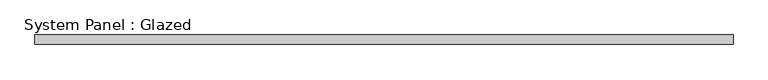
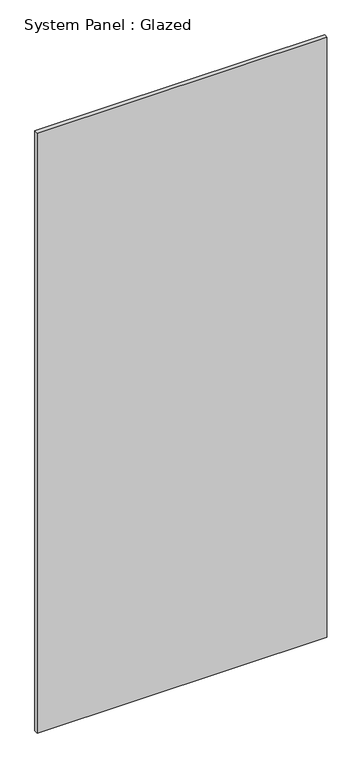
"""IFC4 building model written with IfcOpenShell, lengths in millimetres: plate geometry, System Panel : Glazed."""

from ifc_helpers import new_model, si_unit, origin, origin_with_axes, place, context, project, spatial, polyline, outline, extrude, source, transform, mapped, element, save


def system_panel_glazed_85acabe5(model_context):
    return source(origin(), model_context, "Body", "SweptSolid", [
        extrude(outline(polyline([(916.818058, -49.5), (-916.818058, -49.5), (-916.818058, -24.5), (916.818058, -24.5), (916.818058, -49.5)])), origin_with_axes(), (0.0, 0.0, 1.0), 4015.0),
    ])


if __name__ == "__main__":
    model = new_model("IFC4")
    model_context = context("Model", 3, world=origin())
    ifc_project = project(units=[si_unit("LENGTHUNIT", "METRE", prefix="MILLI")], contexts=[model_context])
    site = spatial("IfcSite", under=ifc_project)
    building = spatial("IfcBuilding", under=site)
    placement = place(None, origin())
    system_panel_glazed_shape = system_panel_glazed_85acabe5(model_context)
    element("IfcPlate", 1, ObjectType="System Panel : Glazed", at=placement, inside=building, context=model_context, shape_type="MappedRepresentation", body=[
        mapped(system_panel_glazed_shape, transform((0.0, 0.0, 0.0), x_axis=(1.0, 0.0, 0.0), y_axis=(0.0, 1.0, 0.0), z_axis=(0.0, 0.0, 1.0))),
    ])
    save(model, "model.ifc")
